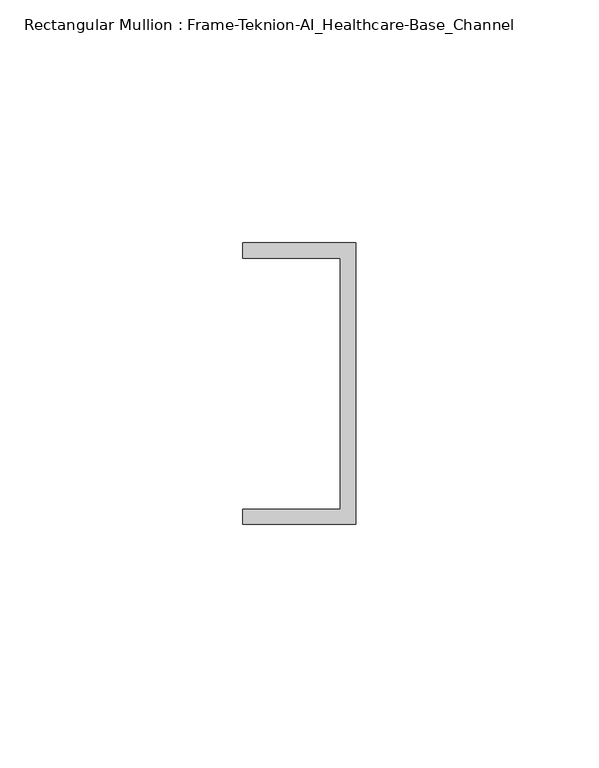
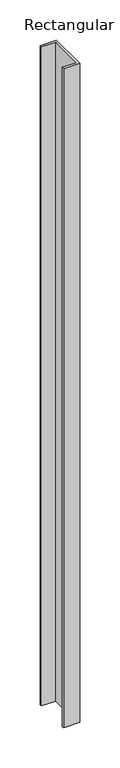
"""IFC4 building model written with IfcOpenShell, lengths in millimetres: member geometry, Rectangular Mullion : Frame-Teknion-AI_Healthcare-Base_Channel."""

from ifc_helpers import new_model, si_unit, frame, origin, place, context, project, spatial, polyline, outline, extrude, source, transform, mapped, element, save


def rectangular_mullion_frame_teknion_ai_healthcare_base_channel_07804cef(model_context):
    return source(origin(), model_context, "Body", "SweptSolid", [
        extrude(outline(polyline([(0.0, -29.0214844), (-23.3164063, -29.0214844), (-23.3164063, -25.8464844), (-3.175, -25.8464844), (-3.175, 25.8464844), (-23.3164063, 25.8464844), (-23.3164063, 29.0214844), (0.0, 29.0214844), (0.0, -29.0214844)])), frame((0.0, 0.0, -1000.6030438), z_axis=(0.0, 0.0, 1.0), x_axis=(1.0, 0.0, 0.0)), (0.0, 0.0, 1.0), 1000.6030438),
    ])


if __name__ == "__main__":
    model = new_model("IFC4")
    model_context = context("Model", 3, world=origin())
    ifc_project = project(units=[si_unit("LENGTHUNIT", "METRE", prefix="MILLI")], contexts=[model_context])
    site = spatial("IfcSite", under=ifc_project)
    building = spatial("IfcBuilding", under=site)
    placement = place(None, origin())
    rectangular_mullion_frame_teknion_ai_healthcare_base_channel_shape = rectangular_mullion_frame_teknion_ai_healthcare_base_channel_07804cef(model_context)
    element("IfcMember", 1, ObjectType="Rectangular Mullion : Frame-Teknion-AI_Healthcare-Base_Channel", at=placement, inside=building, context=model_context, shape_type="MappedRepresentation", body=[
        mapped(rectangular_mullion_frame_teknion_ai_healthcare_base_channel_shape, transform((0.0, 0.0, 0.0), x_axis=(1.0, 0.0, 0.0), y_axis=(0.0, 1.0, 0.0), z_axis=(0.0, 0.0, 1.0))),
    ])
    save(model, "model.ifc")
